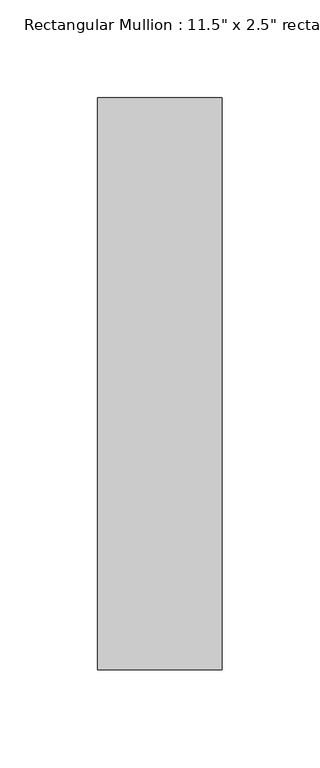
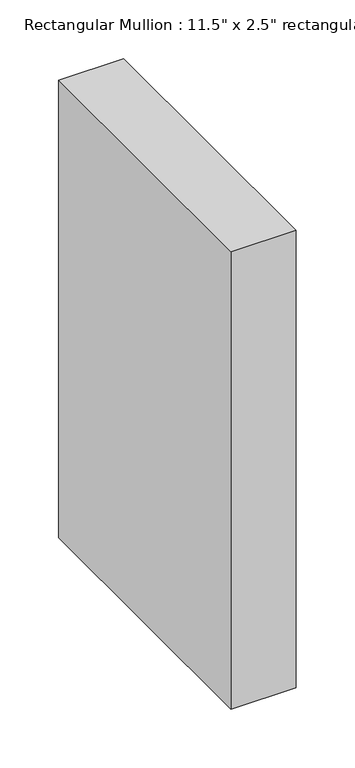
"""IFC4 building model written with IfcOpenShell, lengths in millimetres: member geometry."""

from ifc_helpers import new_model, si_unit, frame, origin, place, context, project, spatial, polyline, outline, extrude, source, transform, mapped, element, save


def member_9c7957a0(model_context):
    return source(origin(), model_context, "Body", "SweptSolid", [
        extrude(outline(polyline([(0.0, 88.9), (0.0, -203.2), (-63.5, -203.2), (-63.5, 88.9), (0.0, 88.9)])), frame((0.0, 0.0, -473.2190621), z_axis=(0.0, 0.0, 1.0), x_axis=(1.0, 0.0, 0.0)), (0.0, 0.0, 1.0), 473.2190621),
    ])


if __name__ == "__main__":
    model = new_model("IFC4")
    model_context = context("Model", 3, world=origin())
    ifc_project = project(units=[si_unit("LENGTHUNIT", "METRE", prefix="MILLI")], contexts=[model_context])
    site = spatial("IfcSite", under=ifc_project)
    building = spatial("IfcBuilding", under=site)
    placement = place(None, origin())
    member_shape = member_9c7957a0(model_context)
    element("IfcMember", 1, ObjectType="Rectangular Mullion : 11.5\" x 2.5\" rectangular", at=placement, inside=building, context=model_context, shape_type="MappedRepresentation", body=[
        mapped(member_shape, transform((0.0, 0.0, 0.0), x_axis=(1.0, 0.0, 0.0), y_axis=(0.0, 1.0, 0.0), z_axis=(0.0, 0.0, 1.0))),
    ])
    save(model, "model.ifc")
